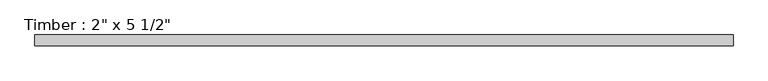
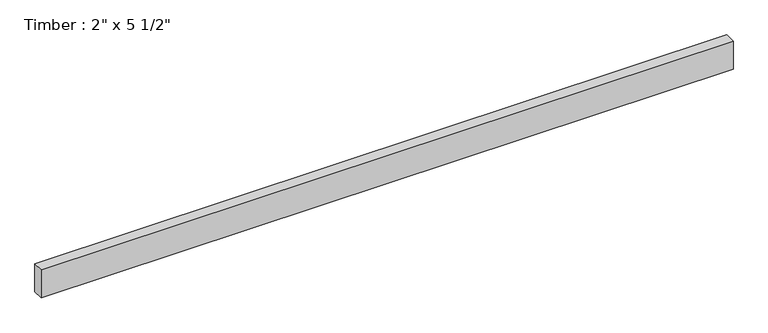
"""IFC4 building model written with IfcOpenShell, lengths in millimetres: beam geometry."""

from ifc_helpers import new_model, si_unit, frame, origin, place, context, project, spatial, polyline, outline, extrude, source, transform, mapped, element, save


def beam_43c85e05(model_context):
    return source(origin(), model_context, "Body", "SweptSolid", [
        extrude(outline(polyline([(1633.0294264, 25.4), (1633.0294264, -25.4), (-1633.0294264, -25.4), (-1633.0294264, 25.4), (1633.0294264, 25.4)])), frame((0.0, 0.0, -69.85), z_axis=(0.0, 0.0, 1.0), x_axis=(1.0, 0.0, 0.0)), (0.0, 0.0, 1.0), 139.7),
    ])


if __name__ == "__main__":
    model = new_model("IFC4")
    model_context = context("Model", 3, world=origin())
    ifc_project = project(units=[si_unit("LENGTHUNIT", "METRE", prefix="MILLI")], contexts=[model_context])
    site = spatial("IfcSite", under=ifc_project)
    building = spatial("IfcBuilding", under=site)
    placement = place(None, origin())
    beam_shape = beam_43c85e05(model_context)
    element("IfcBeam", 1, ObjectType="Timber : 2\" x 5 1/2\"", at=placement, inside=building, context=model_context, shape_type="MappedRepresentation", body=[
        mapped(beam_shape, transform((0.0, 0.0, 0.0), x_axis=(1.0, 0.0, 0.0), y_axis=(0.0, 1.0, 0.0), z_axis=(0.0, 0.0, 1.0))),
    ])
    save(model, "model.ifc")
